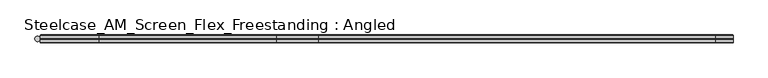
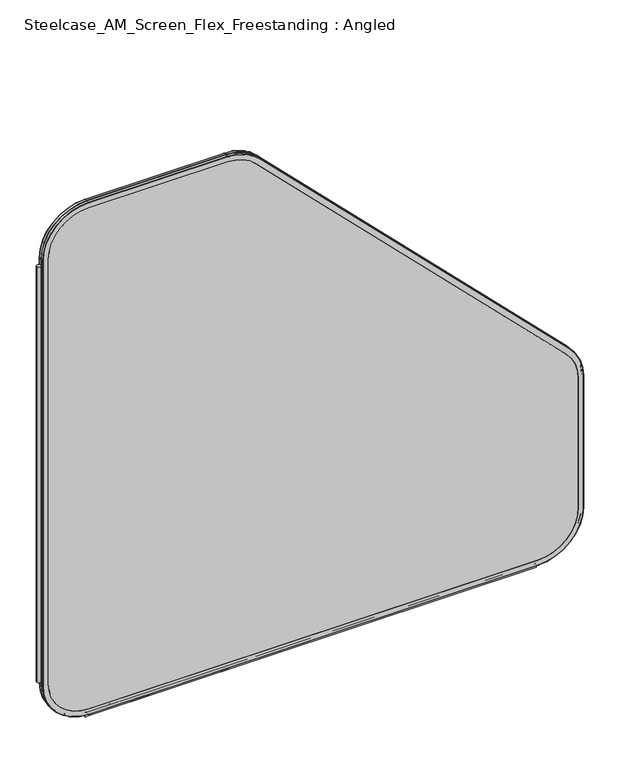
"""IFC4 building model written with IfcOpenShell, lengths in millimetres: furniture geometry, Steelcase_AM_Screen_Flex_Freestanding : Angled."""

from ifc_helpers import new_model, si_unit, point, frame, frame_2d, origin, place, context, project, spatial, polyline, circle_curve, ellipse_curve, trimmed, segment, composite_curve, outline, extrude, source, transform, mapped, element, save
from ifc_brep_helpers import plane_surface, cylinder_surface, revolved_surface, advanced_brep


def steelcase_am_screen_flex_freestanding_angled_8fabaf15(model_context):
    return source(origin(), model_context, "Body", "SolidModel", [
        extrude(outline(composite_curve([segment(trimmed(circle_curve(frame_2d((4.5307839, 0.0)), 4.572), [point((-0.0412161, 0.0))], [point((9.1027839, 0.0))], False, "CARTESIAN"), True, "CONTINUOUS"), segment(trimmed(circle_curve(frame_2d((4.5307839, 0.0)), 4.572), [point((9.1027839, 0.0))], [point((-0.0412161, 0.0))], False, "CARTESIAN"), True, "CONTINUOUS")], self_intersect=False)), frame((0.0, 0.0, 115.57), z_axis=(0.0, 0.0, 1.0), x_axis=(1.0, 0.0, 0.0)), (0.0, 0.0, 1.0), 969.9585855),
        advanced_brep(
        [(110.7653521, 5.9845715, 4.9996464), (9.1653521, 5.9845715, 106.5996464), (10.0387806, 6.858, 106.5996464), (110.7653521, 6.858, 5.8730749), (110.7653521, 0.762, 4.9996464), (9.1653521, 0.762, 106.5996464), (110.7653521, 0.0, 5.7616464), (9.9273521, 0.0, 106.5996464), (110.7653521, 6.858, 17.6996464), (21.8653521, 6.858, 106.5996464), (21.8653521, 0.0, 106.5996464), (110.7653521, 0.0, 17.6996464), (1103.6053316, 6.858, 5.8730749), (1103.6053316, 5.9845715, 4.9996464), (1103.6053316, 0.762, 4.9996464), (1103.6053316, 0.0, 5.7616464), (1103.6053316, 0.0, 17.6996464), (1103.6053316, 6.858, 17.6996464), (1205.2053316, 5.9845715, 106.5996464), (1204.3319031, 6.858, 106.5996464), (1205.2053316, 0.762, 106.5996464), (1204.4433316, 0.0, 106.5996464), (1192.5053316, 6.858, 106.5996464), (1192.5053316, 0.0, 106.5996464), (1204.3319031, 6.858, 413.7098783), (1205.2053316, 5.9845715, 413.7098783), (1205.2053316, 0.762, 413.7098783), (1204.4433316, 0.0, 413.7098783), (1192.5053316, 0.0, 413.7098783), (1192.5053316, 6.858, 413.7098783), (1175.4473806, 5.9845715, 485.5519272), (1174.8297734, 6.858, 484.93432), (1175.4473806, 0.762, 485.5519272), (1174.9085652, 0.0, 485.0131119), (1166.4671245, 6.858, 476.5716711), (1166.4671245, 0.0, 476.5716711), (489.0410661, 6.858, 1170.7230273), (489.6586733, 5.9845715, 1171.3406345), (489.6586733, 0.762, 1171.3406345), (489.119858, 0.0, 1170.8018191), (480.6784172, 0.0, 1162.3603784), (480.6784172, 6.858, 1162.3603784), (417.8166244, 5.9845715, 1201.0985855), (417.8166244, 6.858, 1200.225157), (417.8166244, 0.762, 1201.0985855), (417.8166244, 0.0, 1200.3365855), (417.8166244, 6.858, 1188.3985855), (417.8166244, 0.0, 1188.3985855), (110.7653521, 6.858, 1200.225157), (110.7653521, 5.9845715, 1201.0985855), (110.7653521, 0.762, 1201.0985855), (110.7653521, 0.0, 1200.3365855), (110.7653521, 0.0, 1188.3985855), (110.7653521, 6.858, 1188.3985855), (9.1653521, 5.9845715, 1099.4985855), (10.0387806, 6.858, 1099.4985855), (9.1653521, 0.762, 1099.4985855), (9.9273521, 0.0, 1099.4985855), (21.8653521, 6.858, 1099.4985855), (21.8653521, 0.0, 1099.4985855)],
        [
            (0, 1, circle_curve(frame((110.7653521, 5.9845715, 106.5996464), z_axis=(0.0, 1.0, 0.0), x_axis=(-1.0, 0.0, 0.0)), 101.6)),
            (1, 2, circle_curve(frame((10.0387806, 5.9845715, 106.5996464), z_axis=(0.0, 0.0, -1.0), x_axis=(0.0, -1.0, 0.0)), 0.8734285)),
            (2, 3, circle_curve(frame((110.7653521, 6.858, 106.5996464), z_axis=(0.0, -1.0, 0.0), x_axis=(-1.0, 0.0, 0.0)), 100.7265715)),
            (3, 0, circle_curve(frame((110.7653521, 5.9845715, 5.8730749), z_axis=(-1.0, 0.0, 0.0), x_axis=(0.0, -1.0, 0.0)), 0.8734285)),
            (4, 5, circle_curve(frame((110.7653521, 0.762, 106.5996464), z_axis=(0.0, 1.0, 0.0), x_axis=(-1.0, 0.0, 0.0)), 101.6)),
            (5, 1),
            (0, 4),
            (6, 7, circle_curve(frame((110.7653521, 0.0, 106.5996464), z_axis=(0.0, 1.0, 0.0), x_axis=(-1.0, 0.0, 0.0)), 100.838)),
            (7, 5, circle_curve(frame((9.9273521, 0.762, 106.5996464), z_axis=(0.0, 0.0, -1.0), x_axis=(0.0, -1.0, 0.0)), 0.762)),
            (4, 6, circle_curve(frame((110.7653521, 0.762, 5.7616464), z_axis=(-1.0, 0.0, 0.0), x_axis=(0.0, -1.0, 0.0)), 0.762)),
            (8, 9, circle_curve(frame((110.7653521, 6.858, 106.5996464), z_axis=(0.0, 1.0, 0.0), x_axis=(-1.0, 0.0, 0.0)), 88.9)),
            (9, 10),
            (10, 11, circle_curve(frame((110.7653521, 0.0, 106.5996464), z_axis=(0.0, -1.0, 0.0), x_axis=(-1.0, 0.0, 0.0)), 88.9)),
            (11, 8),
            (3, 12),
            (12, 13, circle_curve(frame((1103.6053316, 5.9845715, 5.8730749), z_axis=(-1.0, 0.0, 0.0), x_axis=(0.0, -1.0, 0.0)), 0.8734285)),
            (13, 0),
            (13, 14),
            (14, 4),
            (14, 15, circle_curve(frame((1103.6053316, 0.762, 5.7616464), z_axis=(-1.0, 0.0, 0.0), x_axis=(0.0, -1.0, 0.0)), 0.762)),
            (15, 6),
            (11, 16),
            (16, 17),
            (17, 8),
            (18, 13, circle_curve(frame((1103.6053316, 5.9845715, 106.5996464), z_axis=(0.0, 1.0, 0.0), x_axis=(0.0, 0.0, -1.0)), 101.6)),
            (12, 19, circle_curve(frame((1103.6053316, 6.858, 106.5996464), z_axis=(0.0, -1.0, 0.0), x_axis=(0.0, 0.0, -1.0)), 100.7265715)),
            (19, 18, circle_curve(frame((1204.3319031, 5.9845715, 106.5996464), z_axis=(0.0, 0.0, -1.0), x_axis=(0.0, -1.0, 0.0)), 0.8734285)),
            (20, 14, circle_curve(frame((1103.6053316, 0.762, 106.5996464), z_axis=(0.0, 1.0, 0.0), x_axis=(0.0, 0.0, -1.0)), 101.6)),
            (18, 20),
            (21, 15, circle_curve(frame((1103.6053316, 0.0, 106.5996464), z_axis=(0.0, 1.0, 0.0), x_axis=(0.0, 0.0, -1.0)), 100.838)),
            (20, 21, circle_curve(frame((1204.4433316, 0.762, 106.5996464), z_axis=(0.0, 0.0, -1.0), x_axis=(0.0, -1.0, 0.0)), 0.762)),
            (22, 17, circle_curve(frame((1103.6053316, 6.858, 106.5996464), z_axis=(0.0, 1.0, 0.0), x_axis=(0.0, 0.0, -1.0)), 88.9)),
            (16, 23, circle_curve(frame((1103.6053316, 0.0, 106.5996464), z_axis=(0.0, -1.0, 0.0), x_axis=(0.0, 0.0, -1.0)), 88.9)),
            (23, 22),
            (19, 24),
            (24, 25, circle_curve(frame((1204.3319031, 5.9845715, 413.7098783), z_axis=(0.0, 0.0, -1.0), x_axis=(0.0, -1.0, 0.0)), 0.8734285)),
            (25, 18),
            (25, 26),
            (26, 20),
            (26, 27, circle_curve(frame((1204.4433316, 0.762, 413.7098783), z_axis=(0.0, 0.0, -1.0), x_axis=(0.0, -1.0, 0.0)), 0.762)),
            (27, 21),
            (23, 28),
            (28, 29),
            (29, 22),
            (30, 25, circle_curve(frame((1103.6053316, 5.9845715, 413.7098783), z_axis=(0.0, 1.0, 0.0), x_axis=(1.0, 0.0, 0.0)), 101.6)),
            (24, 31, circle_curve(frame((1103.6053316, 6.858, 413.7098783), z_axis=(0.0, -1.0, 0.0), x_axis=(1.0, 0.0, 0.0)), 100.7265715)),
            (31, 30, circle_curve(frame((1174.8297734, 5.9845715, 484.93432), z_axis=(0.7071067811865452, 0.0, -0.7071067811865498), x_axis=(0.0, -1.0, 0.0)), 0.8734285)),
            (32, 26, circle_curve(frame((1103.6053316, 0.762, 413.7098783), z_axis=(0.0, 1.0, 0.0), x_axis=(1.0, 0.0, 0.0)), 101.6)),
            (30, 32),
            (33, 27, circle_curve(frame((1103.6053316, 0.0, 413.7098783), z_axis=(0.0, 1.0, 0.0), x_axis=(1.0, 0.0, 0.0)), 100.838)),
            (32, 33, circle_curve(frame((1174.9085652, 0.762, 485.0131119), z_axis=(0.7071067811865456, 0.0, -0.7071067811865496), x_axis=(0.0, -1.0, 0.0)), 0.762)),
            (34, 29, circle_curve(frame((1103.6053316, 6.858, 413.7098783), z_axis=(0.0, 1.0, 0.0), x_axis=(1.0, 0.0, 0.0)), 88.9)),
            (28, 35, circle_curve(frame((1103.6053316, 0.0, 413.7098783), z_axis=(0.0, -1.0, 0.0), x_axis=(1.0, 0.0, 0.0)), 88.9)),
            (35, 34),
            (31, 36),
            (36, 37, circle_curve(frame((489.0410661, 5.9845715, 1170.7230273), z_axis=(0.7071067811865461, 0.0, -0.7071067811865489), x_axis=(0.0, -1.0, 0.0)), 0.8734285)),
            (37, 30),
            (37, 38),
            (38, 32),
            (38, 39, circle_curve(frame((489.119858, 0.762, 1170.8018191), z_axis=(0.7071067811865461, 0.0, -0.7071067811865489), x_axis=(0.0, -1.0, 0.0)), 0.762)),
            (39, 33),
            (35, 40),
            (40, 41),
            (41, 34),
            (42, 37, circle_curve(frame((417.8166244, 5.9845715, 1099.4985855), z_axis=(0.0, 1.0, 0.0), x_axis=(0.7071067811865533, 0.0, 0.7071067811865417)), 101.6)),
            (36, 43, circle_curve(frame((417.8166244, 6.858, 1099.4985855), z_axis=(0.0, -1.0, 0.0), x_axis=(0.7071067811865533, 0.0, 0.7071067811865417)), 100.7265715)),
            (43, 42, circle_curve(frame((417.8166244, 5.9845715, 1200.225157), z_axis=(1.0, 0.0, 0.0), x_axis=(0.0, -1.0, 0.0)), 0.8734285)),
            (44, 38, circle_curve(frame((417.8166244, 0.762, 1099.4985855), z_axis=(0.0, 1.0, 0.0), x_axis=(0.7071067811865533, 0.0, 0.7071067811865417)), 101.6)),
            (42, 44),
            (45, 39, circle_curve(frame((417.8166244, 0.0, 1099.4985855), z_axis=(0.0, 1.0, 0.0), x_axis=(0.7071067811865533, 0.0, 0.7071067811865417)), 100.838)),
            (44, 45, circle_curve(frame((417.8166244, 0.762, 1200.3365855), z_axis=(1.0, 0.0, 0.0), x_axis=(0.0, -1.0, 0.0)), 0.762)),
            (46, 41, circle_curve(frame((417.8166244, 6.858, 1099.4985855), z_axis=(0.0, 1.0, 0.0), x_axis=(0.7071067811865533, 0.0, 0.7071067811865417)), 88.9)),
            (40, 47, circle_curve(frame((417.8166244, 0.0, 1099.4985855), z_axis=(0.0, -1.0, 0.0), x_axis=(0.7071067811865533, 0.0, 0.7071067811865417)), 88.9)),
            (47, 46),
            (43, 48),
            (48, 49, circle_curve(frame((110.7653521, 5.9845715, 1200.225157), z_axis=(1.0, 0.0, 0.0), x_axis=(0.0, -1.0, 0.0)), 0.8734285)),
            (49, 42),
            (49, 50),
            (50, 44),
            (50, 51, circle_curve(frame((110.7653521, 0.762, 1200.3365855), z_axis=(1.0, 0.0, 0.0), x_axis=(0.0, -1.0, 0.0)), 0.762)),
            (51, 45),
            (47, 52),
            (52, 53),
            (53, 46),
            (54, 49, circle_curve(frame((110.7653521, 5.9845715, 1099.4985855), z_axis=(0.0, 1.0, 0.0), x_axis=(0.0, 0.0, 1.0)), 101.6)),
            (48, 55, circle_curve(frame((110.7653521, 6.858, 1099.4985855), z_axis=(0.0, -1.0, 0.0), x_axis=(0.0, 0.0, 1.0)), 100.7265715)),
            (55, 54, circle_curve(frame((10.0387806, 5.9845715, 1099.4985855), z_axis=(0.0, 0.0, 1.0), x_axis=(0.0, -1.0, 0.0)), 0.8734285)),
            (56, 50, circle_curve(frame((110.7653521, 0.762, 1099.4985855), z_axis=(0.0, 1.0, 0.0), x_axis=(0.0, 0.0, 1.0)), 101.6)),
            (54, 56),
            (57, 51, circle_curve(frame((110.7653521, 0.0, 1099.4985855), z_axis=(0.0, 1.0, 0.0), x_axis=(0.0, 0.0, 1.0)), 100.838)),
            (56, 57, circle_curve(frame((9.9273521, 0.762, 1099.4985855), z_axis=(0.0, 0.0, 1.0), x_axis=(0.0, -1.0, 0.0)), 0.762)),
            (58, 53, circle_curve(frame((110.7653521, 6.858, 1099.4985855), z_axis=(0.0, 1.0, 0.0), x_axis=(0.0, 0.0, 1.0)), 88.9)),
            (52, 59, circle_curve(frame((110.7653521, 0.0, 1099.4985855), z_axis=(0.0, -1.0, 0.0), x_axis=(0.0, 0.0, 1.0)), 88.9)),
            (59, 58),
            (2, 55),
            (58, 9),
            (1, 54),
            (5, 56),
            (7, 57),
            (10, 59),
        ],
        [
            revolved_surface(trimmed(ellipse_curve(frame((10.0387806, 5.9845715, 106.5996464), z_axis=(0.0, 0.0, 1.0), x_axis=(0.0, -1.0, 0.0)), 0.8734285, 0.8734285), [point((10.0387806, 6.858, 106.5996464))], [point((9.1653521, 5.9845715, 106.5996464))], True, "CARTESIAN"), (110.7653521, 0.0, 106.5996464), (0.0, -1.0, 0.0)),
            cylinder_surface(frame((110.7653521, 0.0, 106.5996464), z_axis=(0.0, -1.0, 0.0), x_axis=(-1.0, 0.0, 0.0)), 101.6),
            revolved_surface(trimmed(ellipse_curve(frame((9.9273521, 0.762, 106.5996464), z_axis=(0.0, 0.0, 1.0), x_axis=(0.0, -1.0, 0.0)), 0.762, 0.762), [point((9.1653521, 0.762, 106.5996464))], [point((9.9273521, 0.0, 106.5996464))], True, "CARTESIAN"), (110.7653521, 0.0, 106.5996464), (0.0, -1.0, 0.0)),
            revolved_surface(polyline([(21.865352099999996, 0.0, 106.5996464), (21.865352099999996, 6.858, 106.5996464)]), (110.7653521, 0.0, 106.5996464), (0.0, -1.0, 0.0)),
            cylinder_surface(frame((110.7653521, 5.9845715, 5.8730749), z_axis=(-1.0, 0.0, 0.0), x_axis=(0.0, -1.0, 0.0)), 0.8734285),
            plane_surface(frame((110.7653521, 5.9845715, 4.9996464), z_axis=(0.0, 0.0, -1.0), x_axis=(1.0, 0.0, 0.0))),
            cylinder_surface(frame((110.7653521, 0.762, 5.7616464), z_axis=(-1.0, 0.0, 0.0), x_axis=(0.0, -1.0, 0.0)), 0.762),
            plane_surface(frame((110.7653521, 0.0, 17.6996464), z_axis=(0.0, 0.0, 1.0), x_axis=(1.0, 0.0, 0.0))),
            revolved_surface(trimmed(ellipse_curve(frame((1103.6053316, 5.9845715, 5.8730749), z_axis=(-1.0, 0.0, 0.0), x_axis=(0.0, -1.0, 0.0)), 0.8734285, 0.8734285), [point((1103.6053316, 6.858, 5.8730749))], [point((1103.6053316, 5.9845715, 4.9996464))], True, "CARTESIAN"), (1103.6053316, 0.0, 106.5996464), (0.0, -1.0, 0.0)),
            cylinder_surface(frame((1103.6053316, 0.0, 106.5996464), z_axis=(0.0, -1.0, 0.0), x_axis=(0.0, 0.0, -1.0)), 101.6),
            revolved_surface(trimmed(ellipse_curve(frame((1103.6053316, 0.762, 5.7616464), z_axis=(-1.0, 0.0, 0.0), x_axis=(0.0, -1.0, 0.0)), 0.762, 0.762), [point((1103.6053316, 0.762, 4.9996464))], [point((1103.6053316, 0.0, 5.7616464))], True, "CARTESIAN"), (1103.6053316, 0.0, 106.5996464), (0.0, -1.0, 0.0)),
            revolved_surface(polyline([(1103.6053316, 0.0, 17.699646399999992), (1103.6053316, 6.858, 17.699646399999992)]), (1103.6053316, 0.0, 106.5996464), (0.0, -1.0, 0.0)),
            cylinder_surface(frame((1204.3319031, 5.9845715, 106.5996464), z_axis=(0.0, 0.0, -1.0), x_axis=(0.0, -1.0, 0.0)), 0.8734285),
            plane_surface(frame((1205.2053316, 5.9845715, 106.5996464), z_axis=(1.0, 0.0, 0.0), x_axis=(0.0, 0.0, 1.0))),
            cylinder_surface(frame((1204.4433316, 0.762, 106.5996464), z_axis=(0.0, 0.0, -1.0), x_axis=(0.0, -1.0, 0.0)), 0.762),
            plane_surface(frame((1192.5053316, 0.0, 106.5996464), z_axis=(-1.0, 0.0, 0.0), x_axis=(0.0, 0.0, 1.0))),
            revolved_surface(trimmed(ellipse_curve(frame((1204.3319031, 5.9845715, 413.7098783), z_axis=(0.0, 0.0, -1.0), x_axis=(0.0, -1.0, 0.0)), 0.8734285, 0.8734285), [point((1204.3319031, 6.858, 413.7098783))], [point((1205.2053316, 5.9845715, 413.7098783))], True, "CARTESIAN"), (1103.6053316, 0.0, 413.7098783), (0.0, -1.0, 0.0)),
            cylinder_surface(frame((1103.6053316, 0.0, 413.7098783), z_axis=(0.0, -1.0, 0.0), x_axis=(1.0, 0.0, 0.0)), 101.6),
            revolved_surface(trimmed(ellipse_curve(frame((1204.4433316, 0.762, 413.7098783), z_axis=(0.0, 0.0, -1.0), x_axis=(0.0, -1.0, 0.0)), 0.762, 0.762), [point((1205.2053316, 0.762, 413.7098783))], [point((1204.4433316, 0.0, 413.7098783))], True, "CARTESIAN"), (1103.6053316, 0.0, 413.7098783), (0.0, -1.0, 0.0)),
            revolved_surface(polyline([(1192.5053316, 0.0, 413.7098783), (1192.5053316, 6.858, 413.7098783)]), (1103.6053316, 0.0, 413.7098783), (0.0, -1.0, 0.0)),
            cylinder_surface(frame((1174.8297734, 5.9845715, 484.93432), z_axis=(0.7071067811865461, 0.0, -0.7071067811865489), x_axis=(0.0, -1.0, 0.0)), 0.8734285),
            plane_surface(frame((1175.4473806, 5.9845715, 485.5519272), z_axis=(0.7071067811865491, 0.0, 0.707106781186546), x_axis=(-0.707106781186546, 0.0, 0.7071067811865491))),
            cylinder_surface(frame((1174.9085652, 0.762, 485.0131119), z_axis=(0.7071067811865461, 0.0, -0.7071067811865489), x_axis=(0.0, -1.0, 0.0)), 0.762),
            plane_surface(frame((1166.4671245, 0.0, 476.5716711), z_axis=(-0.7071067811865491, 0.0, -0.7071067811865459), x_axis=(-0.7071067811865459, 0.0, 0.7071067811865491))),
            revolved_surface(trimmed(ellipse_curve(frame((489.0410661, 5.9845715, 1170.7230273), z_axis=(0.7071067811865419, 0.0, -0.7071067811865531), x_axis=(0.0, -1.0, 0.0)), 0.8734285, 0.8734285), [point((489.0410661, 6.858, 1170.7230273))], [point((489.6586733, 5.9845715, 1171.3406345))], True, "CARTESIAN"), (417.8166244, 0.0, 1099.4985855), (0.0, -1.0, 0.0)),
            cylinder_surface(frame((417.8166244, 0.0, 1099.4985855), z_axis=(0.0, -1.0, 0.0), x_axis=(0.7071067811865533, 0.0, 0.7071067811865417)), 101.6),
            revolved_surface(trimmed(ellipse_curve(frame((489.119858, 0.762, 1170.8018191), z_axis=(0.7071067811865419, 0.0, -0.7071067811865531), x_axis=(0.0, -1.0, 0.0)), 0.762, 0.762), [point((489.6586733, 0.762, 1171.3406345))], [point((489.119858, 0.0, 1170.8018191))], True, "CARTESIAN"), (417.8166244, 0.0, 1099.4985855), (0.0, -1.0, 0.0)),
            revolved_surface(polyline([(480.6784172474846, 0.0, 1162.3603783474834), (480.6784172474846, 6.858, 1162.3603783474834)]), (417.8166244, 0.0, 1099.4985855), (0.0, -1.0, 0.0)),
            cylinder_surface(frame((417.8166244, 5.9845715, 1200.225157), z_axis=(1.0, 0.0, 0.0), x_axis=(0.0, -1.0, 0.0)), 0.8734285),
            plane_surface(frame((417.8166244, 5.9845715, 1201.0985855), z_axis=(0.0, 0.0, 1.0), x_axis=(-1.0, 0.0, 0.0))),
            cylinder_surface(frame((417.8166244, 0.762, 1200.3365855), z_axis=(1.0, 0.0, 0.0), x_axis=(0.0, -1.0, 0.0)), 0.762),
            plane_surface(frame((417.8166244, 0.0, 1188.3985855), z_axis=(0.0, 0.0, -1.0), x_axis=(-1.0, 0.0, 0.0))),
            revolved_surface(trimmed(ellipse_curve(frame((110.7653521, 5.9845715, 1200.225157), z_axis=(1.0, 0.0, 0.0), x_axis=(0.0, -1.0, 0.0)), 0.8734285, 0.8734285), [point((110.7653521, 6.858, 1200.225157))], [point((110.7653521, 5.9845715, 1201.0985855))], True, "CARTESIAN"), (110.7653521, 0.0, 1099.4985855), (0.0, -1.0, 0.0)),
            cylinder_surface(frame((110.7653521, 0.0, 1099.4985855), z_axis=(0.0, -1.0, 0.0), x_axis=(0.0, 0.0, 1.0)), 101.6),
            revolved_surface(trimmed(ellipse_curve(frame((110.7653521, 0.762, 1200.3365855), z_axis=(1.0, 0.0, 0.0), x_axis=(0.0, -1.0, 0.0)), 0.762, 0.762), [point((110.7653521, 0.762, 1201.0985855))], [point((110.7653521, 0.0, 1200.3365855))], True, "CARTESIAN"), (110.7653521, 0.0, 1099.4985855), (0.0, -1.0, 0.0)),
            revolved_surface(polyline([(110.7653521, 0.0, 1188.3985855), (110.7653521, 6.858, 1188.3985855)]), (110.7653521, 0.0, 1099.4985855), (0.0, -1.0, 0.0)),
            plane_surface(frame((21.8653521, 6.858, 1099.4985855), z_axis=(0.0, 1.0, 0.0), x_axis=(0.0, 0.0, -1.0))),
            cylinder_surface(frame((10.0387806, 5.9845715, 1099.4985855), z_axis=(0.0, 0.0, 1.0), x_axis=(0.0, -1.0, 0.0)), 0.8734285),
            plane_surface(frame((9.1653521, 5.9845715, 1099.4985855), z_axis=(-1.0, 0.0, 0.0), x_axis=(0.0, 0.0, -1.0))),
            cylinder_surface(frame((9.9273521, 0.762, 1099.4985855), z_axis=(0.0, 0.0, 1.0), x_axis=(0.0, -1.0, 0.0)), 0.762),
            plane_surface(frame((9.9273521, 0.0, 1099.4985855), z_axis=(0.0, -1.0, 0.0), x_axis=(0.0, 0.0, -1.0))),
            plane_surface(frame((21.8653521, 0.0, 1099.4985855), z_axis=(1.0, 0.0, 0.0), x_axis=(0.0, 0.0, -1.0))),
        ],
        [
            (0, [[1, 2, 3, 4]]),
            (1, [[5, 6, -1, 7]]),
            (2, [[8, 9, -5, 10]]),
            (3, [[11, 12, 13, 14]]),
            (4, [[-4, 15, 16, 17]]),
            (5, [[-7, -17, 18, 19]]),
            (6, [[-10, -19, 20, 21]]),
            (7, [[-14, 22, 23, 24]]),
            (8, [[25, -16, 26, 27]]),
            (9, [[28, -18, -25, 29]]),
            (10, [[30, -20, -28, 31]]),
            (11, [[32, -23, 33, 34]]),
            (12, [[-27, 35, 36, 37]]),
            (13, [[-29, -37, 38, 39]]),
            (14, [[-31, -39, 40, 41]]),
            (15, [[-34, 42, 43, 44]]),
            (16, [[45, -36, 46, 47]]),
            (17, [[48, -38, -45, 49]]),
            (18, [[50, -40, -48, 51]]),
            (19, [[52, -43, 53, 54]]),
            (20, [[-47, 55, 56, 57]]),
            (21, [[-49, -57, 58, 59]]),
            (22, [[-51, -59, 60, 61]]),
            (23, [[-54, 62, 63, 64]]),
            (24, [[65, -56, 66, 67]]),
            (25, [[68, -58, -65, 69]]),
            (26, [[70, -60, -68, 71]]),
            (27, [[72, -63, 73, 74]]),
            (28, [[-67, 75, 76, 77]]),
            (29, [[-69, -77, 78, 79]]),
            (30, [[-71, -79, 80, 81]]),
            (31, [[-74, 82, 83, 84]]),
            (32, [[85, -76, 86, 87]]),
            (33, [[88, -78, -85, 89]]),
            (34, [[90, -80, -88, 91]]),
            (35, [[92, -83, 93, 94]]),
            (36, [[95, -86, -75, -66, -55, -46, -35, -26, -15, -3], [-84, -92, 96, -11, -24, -32, -44, -52, -64, -72]]),
            (37, [[-87, -95, -2, 97]]),
            (38, [[-89, -97, -6, 98]]),
            (39, [[-91, -98, -9, 99]]),
            (40, [[-81, -90, -99, -8, -21, -30, -41, -50, -61, -70], [100, -93, -82, -73, -62, -53, -42, -33, -22, -13]]),
            (41, [[-94, -100, -12, -96]]),
        ],
    ),
        advanced_brep(
        [(110.7653521, -0.762, 4.9996464), (9.1653521, -0.762, 106.5996464), (9.9273521, 0.0, 106.5996464), (110.7653521, 0.0, 5.7616464), (110.7653521, -6.096, 4.9996464), (9.1653521, -6.096, 106.5996464), (110.7653521, -6.858, 5.7616464), (9.9273521, -6.858, 106.5996464), (110.7653521, 0.0, 17.6996464), (21.8653521, 0.0, 106.5996464), (21.8653521, -6.858, 106.5996464), (110.7653521, -6.858, 17.6996464), (1103.6053316, 0.0, 5.7616464), (1103.6053316, -0.762, 4.9996464), (1103.6053316, -6.096, 4.9996464), (1103.6053316, -6.858, 5.7616464), (1103.6053316, -6.858, 17.6996464), (1103.6053316, 0.0, 17.6996464), (1205.2053316, -0.762, 106.5996464), (1204.4433316, 0.0, 106.5996464), (1205.2053316, -6.096, 106.5996464), (1204.4433316, -6.858, 106.5996464), (1192.5053316, 0.0, 106.5996464), (1192.5053316, -6.858, 106.5996464), (1204.4433316, 0.0, 413.7098783), (1205.2053316, -0.762, 413.7098783), (1205.2053316, -6.096, 413.7098783), (1204.4433316, -6.858, 413.7098783), (1192.5053316, -6.858, 413.7098783), (1192.5053316, 0.0, 413.7098783), (1175.4473806, -0.762, 485.5519272), (1174.9085652, 0.0, 485.0131119), (1175.4473806, -6.096, 485.5519272), (1174.9085652, -6.858, 485.0131119), (1166.4671245, 0.0, 476.5716711), (1166.4671245, -6.858, 476.5716711), (489.119858, 0.0, 1170.8018191), (489.6586733, -0.762, 1171.3406345), (489.6586733, -6.096, 1171.3406345), (489.119858, -6.858, 1170.8018191), (480.6784172, -6.858, 1162.3603784), (480.6784172, 0.0, 1162.3603784), (417.8166244, -0.762, 1201.0985855), (417.8166244, 0.0, 1200.3365855), (417.8166244, -6.096, 1201.0985855), (417.8166244, -6.858, 1200.3365855), (417.8166244, 0.0, 1188.3985855), (417.8166244, -6.858, 1188.3985855), (110.7653521, 0.0, 1200.3365855), (110.7653521, -0.762, 1201.0985855), (110.7653521, -6.096, 1201.0985855), (110.7653521, -6.858, 1200.3365855), (110.7653521, -6.858, 1188.3985855), (110.7653521, 0.0, 1188.3985855), (9.1653521, -0.762, 1099.4985855), (9.9273521, 0.0, 1099.4985855), (9.1653521, -6.096, 1099.4985855), (9.9273521, -6.858, 1099.4985855), (21.8653521, 0.0, 1099.4985855), (21.8653521, -6.858, 1099.4985855)],
        [
            (0, 1, circle_curve(frame((110.7653521, -0.762, 106.5996464), z_axis=(0.0, 1.0, 0.0), x_axis=(-1.0, 0.0, 0.0)), 101.6)),
            (1, 2, circle_curve(frame((9.9273521, -0.762, 106.5996464), z_axis=(0.0, 0.0, -1.0), x_axis=(0.0, -1.0, 0.0)), 0.762)),
            (2, 3, circle_curve(frame((110.7653521, 0.0, 106.5996464), z_axis=(0.0, -1.0, 0.0), x_axis=(-1.0, 0.0, 0.0)), 100.838)),
            (3, 0, circle_curve(frame((110.7653521, -0.762, 5.7616464), z_axis=(-1.0, 0.0, 0.0), x_axis=(0.0, -1.0, 0.0)), 0.762)),
            (4, 5, circle_curve(frame((110.7653521, -6.096, 106.5996464), z_axis=(0.0, 1.0, 0.0), x_axis=(-1.0, 0.0, 0.0)), 101.6)),
            (5, 1),
            (0, 4),
            (6, 7, circle_curve(frame((110.7653521, -6.858, 106.5996464), z_axis=(0.0, 1.0, 0.0), x_axis=(-1.0, 0.0, 0.0)), 100.838)),
            (7, 5, circle_curve(frame((9.9273521, -6.096, 106.5996464), z_axis=(0.0, 0.0, -1.0), x_axis=(0.0, -1.0, 0.0)), 0.762)),
            (4, 6, circle_curve(frame((110.7653521, -6.096, 5.7616464), z_axis=(-1.0, 0.0, 0.0), x_axis=(0.0, -1.0, 0.0)), 0.762)),
            (8, 9, circle_curve(frame((110.7653521, 0.0, 106.5996464), z_axis=(0.0, 1.0, 0.0), x_axis=(-1.0, 0.0, 0.0)), 88.9)),
            (9, 10),
            (10, 11, circle_curve(frame((110.7653521, -6.858, 106.5996464), z_axis=(0.0, -1.0, 0.0), x_axis=(-1.0, 0.0, 0.0)), 88.9)),
            (11, 8),
            (3, 12),
            (12, 13, circle_curve(frame((1103.6053316, -0.762, 5.7616464), z_axis=(-1.0, 0.0, 0.0), x_axis=(0.0, -1.0, 0.0)), 0.762)),
            (13, 0),
            (13, 14),
            (14, 4),
            (14, 15, circle_curve(frame((1103.6053316, -6.096, 5.7616464), z_axis=(-1.0, 0.0, 0.0), x_axis=(0.0, -1.0, 0.0)), 0.762)),
            (15, 6),
            (11, 16),
            (16, 17),
            (17, 8),
            (18, 13, circle_curve(frame((1103.6053316, -0.762, 106.5996464), z_axis=(0.0, 1.0, 0.0), x_axis=(0.0, 0.0, -1.0)), 101.6)),
            (12, 19, circle_curve(frame((1103.6053316, 0.0, 106.5996464), z_axis=(0.0, -1.0, 0.0), x_axis=(0.0, 0.0, -1.0)), 100.838)),
            (19, 18, circle_curve(frame((1204.4433316, -0.762, 106.5996464), z_axis=(0.0, 0.0, -1.0), x_axis=(0.0, -1.0, 0.0)), 0.762)),
            (20, 14, circle_curve(frame((1103.6053316, -6.096, 106.5996464), z_axis=(0.0, 1.0, 0.0), x_axis=(0.0, 0.0, -1.0)), 101.6)),
            (18, 20),
            (21, 15, circle_curve(frame((1103.6053316, -6.858, 106.5996464), z_axis=(0.0, 1.0, 0.0), x_axis=(0.0, 0.0, -1.0)), 100.838)),
            (20, 21, circle_curve(frame((1204.4433316, -6.096, 106.5996464), z_axis=(0.0, 0.0, -1.0), x_axis=(0.0, -1.0, 0.0)), 0.762)),
            (22, 17, circle_curve(frame((1103.6053316, 0.0, 106.5996464), z_axis=(0.0, 1.0, 0.0), x_axis=(0.0, 0.0, -1.0)), 88.9)),
            (16, 23, circle_curve(frame((1103.6053316, -6.858, 106.5996464), z_axis=(0.0, -1.0, 0.0), x_axis=(0.0, 0.0, -1.0)), 88.9)),
            (23, 22),
            (19, 24),
            (24, 25, circle_curve(frame((1204.4433316, -0.762, 413.7098783), z_axis=(0.0, 0.0, -1.0), x_axis=(0.0, -1.0, 0.0)), 0.762)),
            (25, 18),
            (25, 26),
            (26, 20),
            (26, 27, circle_curve(frame((1204.4433316, -6.096, 413.7098783), z_axis=(0.0, 0.0, -1.0), x_axis=(0.0, -1.0, 0.0)), 0.762)),
            (27, 21),
            (23, 28),
            (28, 29),
            (29, 22),
            (30, 25, circle_curve(frame((1103.6053316, -0.762, 413.7098783), z_axis=(0.0, 1.0, 0.0), x_axis=(1.0, 0.0, 0.0)), 101.6)),
            (24, 31, circle_curve(frame((1103.6053316, 0.0, 413.7098783), z_axis=(0.0, -1.0, 0.0), x_axis=(1.0, 0.0, 0.0)), 100.838)),
            (31, 30, circle_curve(frame((1174.9085652, -0.762, 485.0131119), z_axis=(0.7071067811865452, 0.0, -0.7071067811865498), x_axis=(0.0, -1.0, 0.0)), 0.762)),
            (32, 26, circle_curve(frame((1103.6053316, -6.096, 413.7098783), z_axis=(0.0, 1.0, 0.0), x_axis=(1.0, 0.0, 0.0)), 101.6)),
            (30, 32),
            (33, 27, circle_curve(frame((1103.6053316, -6.858, 413.7098783), z_axis=(0.0, 1.0, 0.0), x_axis=(1.0, 0.0, 0.0)), 100.838)),
            (32, 33, circle_curve(frame((1174.9085652, -6.096, 485.0131119), z_axis=(0.7071067811865449, 0.0, -0.7071067811865501), x_axis=(0.0, -1.0, 0.0)), 0.762)),
            (34, 29, circle_curve(frame((1103.6053316, 0.0, 413.7098783), z_axis=(0.0, 1.0, 0.0), x_axis=(1.0, 0.0, 0.0)), 88.9)),
            (28, 35, circle_curve(frame((1103.6053316, -6.858, 413.7098783), z_axis=(0.0, -1.0, 0.0), x_axis=(1.0, 0.0, 0.0)), 88.9)),
            (35, 34),
            (31, 36),
            (36, 37, circle_curve(frame((489.119858, -0.762, 1170.8018191), z_axis=(0.7071067811865462, 0.0, -0.707106781186549), x_axis=(0.0, -1.0, 0.0)), 0.762)),
            (37, 30),
            (37, 38),
            (38, 32),
            (38, 39, circle_curve(frame((489.119858, -6.096, 1170.8018191), z_axis=(0.7071067811865462, 0.0, -0.707106781186549), x_axis=(0.0, -1.0, 0.0)), 0.762)),
            (39, 33),
            (35, 40),
            (40, 41),
            (41, 34),
            (42, 37, circle_curve(frame((417.8166244, -0.762, 1099.4985855), z_axis=(0.0, 1.0, 0.0), x_axis=(0.7071067811865546, 0.0, 0.7071067811865404)), 101.6)),
            (36, 43, circle_curve(frame((417.8166244, 0.0, 1099.4985855), z_axis=(0.0, -1.0, 0.0), x_axis=(0.7071067811865546, 0.0, 0.7071067811865404)), 100.838)),
            (43, 42, circle_curve(frame((417.8166244, -0.762, 1200.3365855), z_axis=(0.9999999999999999, 0.0, 0.0), x_axis=(0.0, -1.0, 0.0)), 0.762)),
            (44, 38, circle_curve(frame((417.8166244, -6.096, 1099.4985855), z_axis=(0.0, 1.0, 0.0), x_axis=(0.7071067811865546, 0.0, 0.7071067811865404)), 101.6)),
            (42, 44),
            (45, 39, circle_curve(frame((417.8166244, -6.858, 1099.4985855), z_axis=(0.0, 1.0, 0.0), x_axis=(0.7071067811865546, 0.0, 0.7071067811865404)), 100.838)),
            (44, 45, circle_curve(frame((417.8166244, -6.096, 1200.3365855), z_axis=(0.9999999999999999, 0.0, 0.0), x_axis=(0.0, -1.0, 0.0)), 0.762)),
            (46, 41, circle_curve(frame((417.8166244, 0.0, 1099.4985855), z_axis=(0.0, 1.0, 0.0), x_axis=(0.7071067811865546, 0.0, 0.7071067811865404)), 88.9)),
            (40, 47, circle_curve(frame((417.8166244, -6.858, 1099.4985855), z_axis=(0.0, -1.0, 0.0), x_axis=(0.7071067811865546, 0.0, 0.7071067811865404)), 88.9)),
            (47, 46),
            (43, 48),
            (48, 49, circle_curve(frame((110.7653521, -0.762, 1200.3365855), z_axis=(1.0, 0.0, 0.0), x_axis=(0.0, -1.0, 0.0)), 0.762)),
            (49, 42),
            (49, 50),
            (50, 44),
            (50, 51, circle_curve(frame((110.7653521, -6.096, 1200.3365855), z_axis=(1.0, 0.0, 0.0), x_axis=(0.0, -1.0, 0.0)), 0.762)),
            (51, 45),
            (47, 52),
            (52, 53),
            (53, 46),
            (54, 49, circle_curve(frame((110.7653521, -0.762, 1099.4985855), z_axis=(0.0, 1.0, 0.0), x_axis=(0.0, 0.0, 1.0)), 101.6)),
            (48, 55, circle_curve(frame((110.7653521, 0.0, 1099.4985855), z_axis=(0.0, -1.0, 0.0), x_axis=(0.0, 0.0, 1.0)), 100.838)),
            (55, 54, circle_curve(frame((9.9273521, -0.762, 1099.4985855), z_axis=(0.0, 0.0, 1.0), x_axis=(0.0, -1.0, 0.0)), 0.762)),
            (56, 50, circle_curve(frame((110.7653521, -6.096, 1099.4985855), z_axis=(0.0, 1.0, 0.0), x_axis=(0.0, 0.0, 1.0)), 101.6)),
            (54, 56),
            (57, 51, circle_curve(frame((110.7653521, -6.858, 1099.4985855), z_axis=(0.0, 1.0, 0.0), x_axis=(0.0, 0.0, 1.0)), 100.838)),
            (56, 57, circle_curve(frame((9.9273521, -6.096, 1099.4985855), z_axis=(0.0, 0.0, 1.0), x_axis=(0.0, -1.0, 0.0)), 0.762)),
            (58, 53, circle_curve(frame((110.7653521, 0.0, 1099.4985855), z_axis=(0.0, 1.0, 0.0), x_axis=(0.0, 0.0, 1.0)), 88.9)),
            (52, 59, circle_curve(frame((110.7653521, -6.858, 1099.4985855), z_axis=(0.0, -1.0, 0.0), x_axis=(0.0, 0.0, 1.0)), 88.9)),
            (59, 58),
            (2, 55),
            (58, 9),
            (1, 54),
            (5, 56),
            (7, 57),
            (10, 59),
        ],
        [
            revolved_surface(trimmed(ellipse_curve(frame((9.9273521, -0.762, 106.5996464), z_axis=(0.0, 0.0, 1.0), x_axis=(0.0, -1.0, 0.0)), 0.762, 0.762), [point((9.9273521, 0.0, 106.5996464))], [point((9.1653521, -0.762, 106.5996464))], True, "CARTESIAN"), (110.7653521, 0.0, 106.5996464), (0.0, -1.0, 0.0)),
            cylinder_surface(frame((110.7653521, 0.0, 106.5996464), z_axis=(0.0, -1.0, 0.0), x_axis=(-1.0, 0.0, 0.0)), 101.6),
            revolved_surface(trimmed(ellipse_curve(frame((9.9273521, -6.096, 106.5996464), z_axis=(0.0, 0.0, 1.0), x_axis=(0.0, -1.0, 0.0)), 0.762, 0.762), [point((9.1653521, -6.096, 106.5996464))], [point((9.9273521, -6.858, 106.5996464))], True, "CARTESIAN"), (110.7653521, 0.0, 106.5996464), (0.0, -1.0, 0.0)),
            revolved_surface(polyline([(21.865352099999996, -6.858, 106.5996464), (21.865352099999996, 0.0, 106.5996464)]), (110.7653521, 0.0, 106.5996464), (0.0, -1.0, 0.0)),
            cylinder_surface(frame((110.7653521, -0.762, 5.7616464), z_axis=(-1.0, 0.0, 0.0), x_axis=(0.0, -1.0, 0.0)), 0.762),
            plane_surface(frame((110.7653521, -0.762, 4.9996464), z_axis=(0.0, 0.0, -1.0), x_axis=(1.0, 0.0, 0.0))),
            cylinder_surface(frame((110.7653521, -6.096, 5.7616464), z_axis=(-1.0, 0.0, 0.0), x_axis=(0.0, -1.0, 0.0)), 0.762),
            plane_surface(frame((110.7653521, -6.858, 17.6996464), z_axis=(0.0, 0.0, 1.0), x_axis=(1.0, 0.0, 0.0))),
            revolved_surface(trimmed(ellipse_curve(frame((1103.6053316, -0.762, 5.7616464), z_axis=(-1.0, 0.0, 0.0), x_axis=(0.0, -1.0, 0.0)), 0.762, 0.762), [point((1103.6053316, 0.0, 5.7616464))], [point((1103.6053316, -0.762, 4.9996464))], True, "CARTESIAN"), (1103.6053316, 0.0, 106.5996464), (0.0, -1.0, 0.0)),
            cylinder_surface(frame((1103.6053316, 0.0, 106.5996464), z_axis=(0.0, -1.0, 0.0), x_axis=(0.0, 0.0, -1.0)), 101.6),
            revolved_surface(trimmed(ellipse_curve(frame((1103.6053316, -6.096, 5.7616464), z_axis=(-1.0, 0.0, 0.0), x_axis=(0.0, -1.0, 0.0)), 0.762, 0.762), [point((1103.6053316, -6.096, 4.9996464))], [point((1103.6053316, -6.858, 5.7616464))], True, "CARTESIAN"), (1103.6053316, 0.0, 106.5996464), (0.0, -1.0, 0.0)),
            revolved_surface(polyline([(1103.6053316, -6.858, 17.699646399999992), (1103.6053316, 0.0, 17.699646399999992)]), (1103.6053316, 0.0, 106.5996464), (0.0, -1.0, 0.0)),
            cylinder_surface(frame((1204.4433316, -0.762, 106.5996464), z_axis=(0.0, 0.0, -1.0), x_axis=(0.0, -1.0, 0.0)), 0.762),
            plane_surface(frame((1205.2053316, -0.762, 106.5996464), z_axis=(1.0, 0.0, 0.0), x_axis=(0.0, 0.0, 1.0))),
            cylinder_surface(frame((1204.4433316, -6.096, 106.5996464), z_axis=(0.0, 0.0, -1.0), x_axis=(0.0, -1.0, 0.0)), 0.762),
            plane_surface(frame((1192.5053316, -6.858, 106.5996464), z_axis=(-1.0, 0.0, 0.0), x_axis=(0.0, 0.0, 1.0))),
            revolved_surface(trimmed(ellipse_curve(frame((1204.4433316, -0.762, 413.7098783), z_axis=(0.0, 0.0, -1.0), x_axis=(0.0, -1.0, 0.0)), 0.762, 0.762), [point((1204.4433316, 0.0, 413.7098783))], [point((1205.2053316, -0.762, 413.7098783))], True, "CARTESIAN"), (1103.6053316, 0.0, 413.7098783), (0.0, -1.0, 0.0)),
            cylinder_surface(frame((1103.6053316, 0.0, 413.7098783), z_axis=(0.0, -1.0, 0.0), x_axis=(1.0, 0.0, 0.0)), 101.6),
            revolved_surface(trimmed(ellipse_curve(frame((1204.4433316, -6.096, 413.7098783), z_axis=(0.0, 0.0, -1.0), x_axis=(0.0, -1.0, 0.0)), 0.762, 0.762), [point((1205.2053316, -6.096, 413.7098783))], [point((1204.4433316, -6.858, 413.7098783))], True, "CARTESIAN"), (1103.6053316, 0.0, 413.7098783), (0.0, -1.0, 0.0)),
            revolved_surface(polyline([(1192.5053316, -6.858, 413.7098783), (1192.5053316, 0.0, 413.7098783)]), (1103.6053316, 0.0, 413.7098783), (0.0, -1.0, 0.0)),
            cylinder_surface(frame((1174.9085652, -0.762, 485.0131119), z_axis=(0.7071067811865462, 0.0, -0.707106781186549), x_axis=(0.0, -1.0, 0.0)), 0.762),
            plane_surface(frame((1175.4473806, -0.762, 485.5519272), z_axis=(0.7071067811865491, 0.0, 0.707106781186546), x_axis=(-0.707106781186546, 0.0, 0.7071067811865491))),
            cylinder_surface(frame((1174.9085652, -6.096, 485.0131119), z_axis=(0.7071067811865462, 0.0, -0.707106781186549), x_axis=(0.0, -1.0, 0.0)), 0.762),
            plane_surface(frame((1166.4671245, -6.858, 476.5716711), z_axis=(-0.707106781186549, 0.0, -0.707106781186546), x_axis=(-0.707106781186546, 0.0, 0.707106781186549))),
            revolved_surface(trimmed(ellipse_curve(frame((489.119858, -0.762, 1170.8018191), z_axis=(0.7071067811865405, 0.0, -0.7071067811865545), x_axis=(0.0, -1.0, 0.0)), 0.762, 0.762), [point((489.119858, 0.0, 1170.8018191))], [point((489.6586733, -0.762, 1171.3406345))], True, "CARTESIAN"), (417.8166244, 0.0, 1099.4985855), (0.0, -1.0, 0.0)),
            cylinder_surface(frame((417.8166244, 0.0, 1099.4985855), z_axis=(0.0, -1.0, 0.0), x_axis=(0.7071067811865546, 0.0, 0.7071067811865404)), 101.6),
            revolved_surface(trimmed(ellipse_curve(frame((489.119858, -6.096, 1170.8018191), z_axis=(0.7071067811865405, 0.0, -0.7071067811865545), x_axis=(0.0, -1.0, 0.0)), 0.762, 0.762), [point((489.6586733, -6.096, 1171.3406345))], [point((489.119858, -6.858, 1170.8018191))], True, "CARTESIAN"), (417.8166244, 0.0, 1099.4985855), (0.0, -1.0, 0.0)),
            revolved_surface(polyline([(480.67841724748473, -6.858, 1162.3603783474834), (480.67841724748473, 0.0, 1162.3603783474834)]), (417.8166244, 0.0, 1099.4985855), (0.0, -1.0, 0.0)),
            cylinder_surface(frame((417.8166244, -0.762, 1200.3365855), z_axis=(1.0, 0.0, 0.0), x_axis=(0.0, -1.0, 0.0)), 0.762),
            plane_surface(frame((417.8166244, -0.762, 1201.0985855), z_axis=(0.0, 0.0, 1.0), x_axis=(-1.0, 0.0, 0.0))),
            cylinder_surface(frame((417.8166244, -6.096, 1200.3365855), z_axis=(1.0, 0.0, 0.0), x_axis=(0.0, -1.0, 0.0)), 0.762),
            plane_surface(frame((417.8166244, -6.858, 1188.3985855), z_axis=(0.0, 0.0, -1.0), x_axis=(-1.0, 0.0, 0.0))),
            revolved_surface(trimmed(ellipse_curve(frame((110.7653521, -0.762, 1200.3365855), z_axis=(1.0, 0.0, 0.0), x_axis=(0.0, -1.0, 0.0)), 0.762, 0.762), [point((110.7653521, 0.0, 1200.3365855))], [point((110.7653521, -0.762, 1201.0985855))], True, "CARTESIAN"), (110.7653521, 0.0, 1099.4985855), (0.0, -1.0, 0.0)),
            cylinder_surface(frame((110.7653521, 0.0, 1099.4985855), z_axis=(0.0, -1.0, 0.0), x_axis=(0.0, 0.0, 1.0)), 101.6),
            revolved_surface(trimmed(ellipse_curve(frame((110.7653521, -6.096, 1200.3365855), z_axis=(1.0, 0.0, 0.0), x_axis=(0.0, -1.0, 0.0)), 0.762, 0.762), [point((110.7653521, -6.096, 1201.0985855))], [point((110.7653521, -6.858, 1200.3365855))], True, "CARTESIAN"), (110.7653521, 0.0, 1099.4985855), (0.0, -1.0, 0.0)),
            revolved_surface(polyline([(110.7653521, -6.858, 1188.3985855), (110.7653521, 0.0, 1188.3985855)]), (110.7653521, 0.0, 1099.4985855), (0.0, -1.0, 0.0)),
            plane_surface(frame((21.8653521, 0.0, 1099.4985855), z_axis=(0.0, 1.0, 0.0), x_axis=(0.0, 0.0, -1.0))),
            cylinder_surface(frame((9.9273521, -0.762, 1099.4985855), z_axis=(0.0, 0.0, 1.0), x_axis=(0.0, -1.0, 0.0)), 0.762),
            plane_surface(frame((9.1653521, -0.762, 1099.4985855), z_axis=(-1.0, 0.0, 0.0), x_axis=(0.0, 0.0, -1.0))),
            cylinder_surface(frame((9.9273521, -6.096, 1099.4985855), z_axis=(0.0, 0.0, 1.0), x_axis=(0.0, -1.0, 0.0)), 0.762),
            plane_surface(frame((9.9273521, -6.858, 1099.4985855), z_axis=(0.0, -1.0, 0.0), x_axis=(0.0, 0.0, -1.0))),
            plane_surface(frame((21.8653521, -6.858, 1099.4985855), z_axis=(1.0, 0.0, 0.0), x_axis=(0.0, 0.0, -1.0))),
        ],
        [
            (0, [[1, 2, 3, 4]]),
            (1, [[5, 6, -1, 7]]),
            (2, [[8, 9, -5, 10]]),
            (3, [[11, 12, 13, 14]]),
            (4, [[-4, 15, 16, 17]]),
            (5, [[-7, -17, 18, 19]]),
            (6, [[-10, -19, 20, 21]]),
            (7, [[-14, 22, 23, 24]]),
            (8, [[25, -16, 26, 27]]),
            (9, [[28, -18, -25, 29]]),
            (10, [[30, -20, -28, 31]]),
            (11, [[32, -23, 33, 34]]),
            (12, [[-27, 35, 36, 37]]),
            (13, [[-29, -37, 38, 39]]),
            (14, [[-31, -39, 40, 41]]),
            (15, [[-34, 42, 43, 44]]),
            (16, [[45, -36, 46, 47]]),
            (17, [[48, -38, -45, 49]]),
            (18, [[50, -40, -48, 51]]),
            (19, [[52, -43, 53, 54]]),
            (20, [[-47, 55, 56, 57]]),
            (21, [[-49, -57, 58, 59]]),
            (22, [[-51, -59, 60, 61]]),
            (23, [[-54, 62, 63, 64]]),
            (24, [[65, -56, 66, 67]]),
            (25, [[68, -58, -65, 69]]),
            (26, [[70, -60, -68, 71]]),
            (27, [[72, -63, 73, 74]]),
            (28, [[-67, 75, 76, 77]]),
            (29, [[-69, -77, 78, 79]]),
            (30, [[-71, -79, 80, 81]]),
            (31, [[-74, 82, 83, 84]]),
            (32, [[85, -76, 86, 87]]),
            (33, [[88, -78, -85, 89]]),
            (34, [[90, -80, -88, 91]]),
            (35, [[92, -83, 93, 94]]),
            (36, [[95, -86, -75, -66, -55, -46, -35, -26, -15, -3], [-84, -92, 96, -11, -24, -32, -44, -52, -64, -72]]),
            (37, [[-87, -95, -2, 97]]),
            (38, [[-89, -97, -6, 98]]),
            (39, [[-91, -98, -9, 99]]),
            (40, [[-81, -90, -99, -8, -21, -30, -41, -50, -61, -70], [100, -93, -82, -73, -62, -53, -42, -33, -22, -13]]),
            (41, [[-94, -100, -12, -96]]),
        ],
    ),
        extrude(outline(composite_curve([segment(polyline([(1188.3985855, 417.8166244), (1188.3985855, 110.7653521)]), True, "CONTINUOUS"), segment(trimmed(circle_curve(frame_2d((1099.4985855, 110.7653521)), 88.9), [point((1188.3985855, 110.7653521))], [point((1099.4985855, 21.8653521))], False, "CARTESIAN"), True, "CONTINUOUS"), segment(polyline([(1099.4985855, 21.8653521), (106.5996464, 21.8653521)]), True, "CONTINUOUS"), segment(trimmed(circle_curve(frame_2d((106.5996464, 110.7653521)), 88.9), [point((106.5996464, 21.8653521))], [point((17.6996464, 110.7653521))], False, "CARTESIAN"), True, "CONTINUOUS"), segment(polyline([(17.6996464, 110.7653521), (17.6996464, 1103.6053316)]), True, "CONTINUOUS"), segment(trimmed(circle_curve(frame_2d((106.5996464, 1103.6053316)), 88.9), [point((17.6996464, 1103.6053316))], [point((106.5996464, 1192.5053316))], False, "CARTESIAN"), True, "CONTINUOUS"), segment(polyline([(106.5996464, 1192.5053316), (413.7098783, 1192.5053316)]), True, "CONTINUOUS"), segment(trimmed(circle_curve(frame_2d((413.7098783, 1103.6053316)), 88.9), [point((413.7098783, 1192.5053316))], [point((476.5716711, 1166.4671245))], False, "CARTESIAN"), True, "CONTINUOUS"), segment(polyline([(476.5716711, 1166.4671245), (1162.3603784, 480.6784172)]), True, "CONTINUOUS"), segment(trimmed(circle_curve(frame_2d((1099.4985855, 417.8166244)), 88.9), [point((1162.3603784, 480.6784172))], [point((1188.3985855, 417.8166244))], False, "CARTESIAN"), True, "CONTINUOUS")], self_intersect=False)), frame((0.0, 0.0, 0.0), z_axis=(0.0, 1.0, 0.0), x_axis=(0.0, 0.0, 1.0)), (0.0, 0.0, 1.0), 6.858),
        extrude(outline(composite_curve([segment(polyline([(1188.3985855, 417.8166244), (1188.3985855, 110.7653521)]), True, "CONTINUOUS"), segment(trimmed(circle_curve(frame_2d((1099.4985855, 110.7653521)), 88.9), [point((1188.3985855, 110.7653521))], [point((1099.4985855, 21.8653521))], False, "CARTESIAN"), True, "CONTINUOUS"), segment(polyline([(1099.4985855, 21.8653521), (106.5996464, 21.8653521)]), True, "CONTINUOUS"), segment(trimmed(circle_curve(frame_2d((106.5996464, 110.7653521)), 88.9), [point((106.5996464, 21.8653521))], [point((17.6996464, 110.7653521))], False, "CARTESIAN"), True, "CONTINUOUS"), segment(polyline([(17.6996464, 110.7653521), (17.6996464, 1103.6053316)]), True, "CONTINUOUS"), segment(trimmed(circle_curve(frame_2d((106.5996464, 1103.6053316)), 88.9), [point((17.6996464, 1103.6053316))], [point((106.5996464, 1192.5053316))], False, "CARTESIAN"), True, "CONTINUOUS"), segment(polyline([(106.5996464, 1192.5053316), (413.7098783, 1192.5053316)]), True, "CONTINUOUS"), segment(trimmed(circle_curve(frame_2d((413.7098783, 1103.6053316)), 88.9), [point((413.7098783, 1192.5053316))], [point((476.5716711, 1166.4671245))], False, "CARTESIAN"), True, "CONTINUOUS"), segment(polyline([(476.5716711, 1166.4671245), (1162.3603784, 480.6784172)]), True, "CONTINUOUS"), segment(trimmed(circle_curve(frame_2d((1099.4985855, 417.8166244)), 88.9), [point((1162.3603784, 480.6784172))], [point((1188.3985855, 417.8166244))], False, "CARTESIAN"), True, "CONTINUOUS")], self_intersect=False)), frame((0.0, -6.858, 0.0), z_axis=(0.0, 1.0, 0.0), x_axis=(0.0, 0.0, 1.0)), (0.0, 0.0, 1.0), 6.858),
        extrude(outline(composite_curve([segment(trimmed(circle_curve(frame_2d((3.5, 2.4751953)), 2.5), [point((3.5, 4.9751953))], [point((1.4656663, 1.0220998))], False, "CARTESIAN"), True, "CONTINUOUS"), segment(trimmed(circle_curve(frame_2d((0.0, -0.0248047)), 1.8011626), [point((1.4656663, 1.0220998))], [point((-1.4656663, 1.0220998))], True, "CARTESIAN"), True, "CONTINUOUS"), segment(trimmed(circle_curve(frame_2d((-3.5, 2.4751953)), 2.5), [point((-1.4656663, 1.0220998))], [point((-3.5, 4.9751953))], False, "CARTESIAN"), True, "CONTINUOUS"), segment(trimmed(circle_curve(frame_2d((-3.5, 4.4751953)), 0.5), [point((-3.5, 4.9751953))], [point((-3.5, 3.9751953))], False, "CARTESIAN"), True, "CONTINUOUS"), segment(trimmed(circle_curve(frame_2d((-3.5, 2.4751953)), 1.5), [point((-3.5, 3.9751953))], [point((-2.3025096, 1.5718589))], True, "CARTESIAN"), True, "CONTINUOUS"), segment(trimmed(circle_curve(frame_2d((-10.3325937, 7.629417)), 10.0586411), [point((-2.3025096, 1.5718589))], [point((-0.714976, 4.6836248))], True, "CARTESIAN"), True, "CONTINUOUS"), segment(trimmed(circle_curve(frame_2d((0.0, 4.4646339)), 0.7477618), [point((-0.714976, 4.6836248))], [point((0.714976, 4.6836248))], False, "CARTESIAN"), True, "CONTINUOUS"), segment(trimmed(circle_curve(frame_2d((10.3325937, 7.629417)), 10.0586411), [point((0.714976, 4.6836248))], [point((2.3025096, 1.5718589))], True, "CARTESIAN"), True, "CONTINUOUS"), segment(trimmed(circle_curve(frame_2d((3.5, 2.4751953)), 1.5), [point((2.3025096, 1.5718589))], [point((3.5, 3.9751953))], True, "CARTESIAN"), True, "CONTINUOUS"), segment(trimmed(circle_curve(frame_2d((3.5, 4.4751953)), 0.5), [point((3.5, 3.9751953))], [point((3.5, 4.9751953))], False, "CARTESIAN"), True, "CONTINUOUS")], self_intersect=False)), frame((104.1640108, 0.0, 0.0), z_axis=(1.0, 0.0, 0.0), x_axis=(0.0, 1.0, 0.0)), (0.0, 0.0, 1.0), 996.95),
    ])


if __name__ == "__main__":
    model = new_model("IFC4")
    model_context = context("Model", 3, world=origin())
    ifc_project = project(units=[si_unit("LENGTHUNIT", "METRE", prefix="MILLI")], contexts=[model_context])
    site = spatial("IfcSite", under=ifc_project)
    building = spatial("IfcBuilding", under=site)
    placement = place(None, origin())
    steelcase_am_screen_flex_freestanding_angled_shape = steelcase_am_screen_flex_freestanding_angled_8fabaf15(model_context)
    element("IfcFurniture", 1, ObjectType="Steelcase_AM_Screen_Flex_Freestanding : Angled", at=placement, inside=building, context=model_context, shape_type="MappedRepresentation", body=[
        mapped(steelcase_am_screen_flex_freestanding_angled_shape, transform((0.0, 0.0, 0.0), x_axis=(1.0, 0.0, 0.0), y_axis=(0.0, 1.0, 0.0), z_axis=(0.0, 0.0, 1.0))),
    ])
    save(model, "model.ifc")
